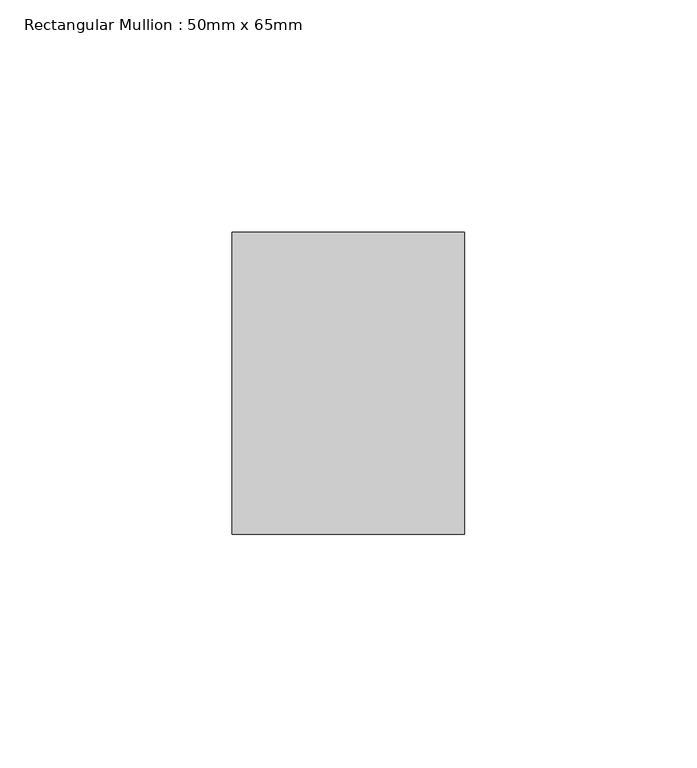
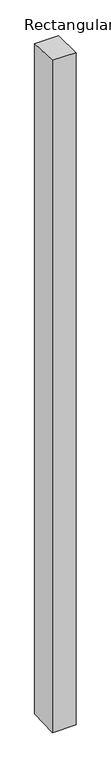
"""IFC4 building model written with IfcOpenShell, lengths in millimetres: member geometry, Rectangular Mullion : 50mm x 65mm."""

from ifc_helpers import new_model, si_unit, origin, place, context, project, spatial, faceted_brep, source, transform, mapped, element, save


def rectangular_mullion_50mm_x_65mm_2c77cee7(model_context):
    return source(origin(), model_context, "Body", "Brep", [
        faceted_brep([(-25.0, 32.5, -1.1419441), (25.0, 32.5, -1.141957), (25.0, 32.5, -1498.5321755), (-25.0, 32.5, -1498.5321921), (-25.0, -32.5, 1.141957), (-25.0, -32.5, -1501.4675431), (25.0, -32.5, 1.1419441), (25.0, -32.5, -1501.4675265)], [[[0, 1, 2, 3]], [[4, 0, 3, 5]], [[6, 4, 5, 7]], [[1, 6, 7, 2]], [[1, 0, 4, 6]], [[2, 7, 5, 3]]]),
    ])


if __name__ == "__main__":
    model = new_model("IFC4")
    model_context = context("Model", 3, world=origin())
    ifc_project = project(units=[si_unit("LENGTHUNIT", "METRE", prefix="MILLI")], contexts=[model_context])
    site = spatial("IfcSite", under=ifc_project)
    building = spatial("IfcBuilding", under=site)
    placement = place(None, origin())
    rectangular_mullion_50mm_x_65mm_shape = rectangular_mullion_50mm_x_65mm_2c77cee7(model_context)
    element("IfcMember", 1, ObjectType="Rectangular Mullion : 50mm x 65mm", at=placement, inside=building, context=model_context, shape_type="MappedRepresentation", body=[
        mapped(rectangular_mullion_50mm_x_65mm_shape, transform((0.0, 0.0, 0.0), x_axis=(1.0, 0.0, 0.0), y_axis=(0.0, 1.0, 0.0), z_axis=(0.0, 0.0, 1.0))),
    ])
    save(model, "model.ifc")
